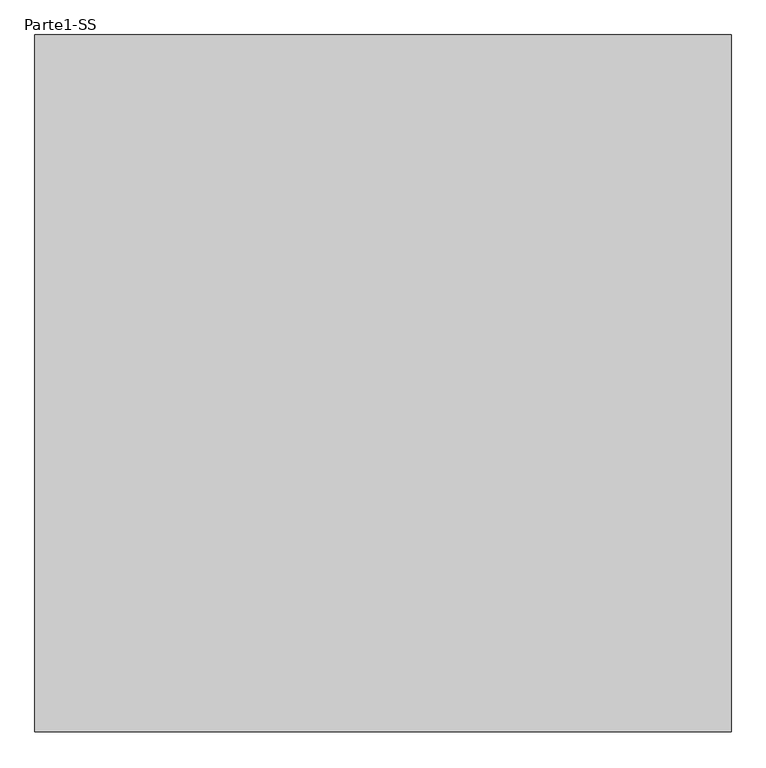
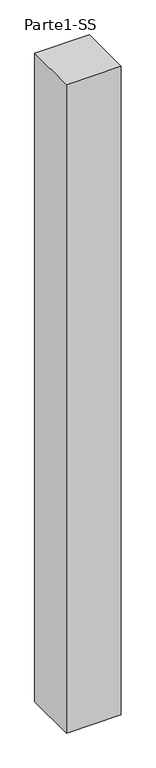
"""IFC4 building model written with IfcOpenShell, lengths in millimetres: proxy geometry, Parte1-SS."""

import ifcopenshell
import ifcopenshell.guid

model = None  # the IFC model being written
_history = None  # IfcOwnerHistory: only IFC2X3 demands one
_inside = {}  # id of a spatial element -> (the spatial element, [elements in it])
_under = {}  # id of a project, library or spatial element -> (it, [spatial elements below it])
_declared = {}  # id of a project -> (the project, [libraries it declares])
_typed = {}  # id of a type object -> (the type object, [elements of that type])
_made_of = {}  # id of a material, layer set ... -> (it, [elements and type objects made of it])


def new_model(schema):
    """Start an empty IFC model of exactly this schema.

    Asked for "IFC4X3", IfcOpenShell would pick the latest addendum, in which some entities
    have other attributes; the version numbers below select the first issue.
    IFC2X3 requires an IfcOwnerHistory on every rooted entity: one is made here for all.
    """
    global model, _history
    if schema == "IFC4X3":
        model = ifcopenshell.file(schema_version=(4, 3, 0, 0))
    else:
        model = ifcopenshell.file(schema=schema)
    _inside.clear()
    _under.clear()
    _declared.clear()
    _typed.clear()
    _made_of.clear()
    _history = None
    if model.schema == "IFC2X3":
        org = make("IfcOrganization", Name="unknown")
        user = make(
            "IfcPersonAndOrganization",
            ThePerson=make("IfcPerson", FamilyName="unknown"),
            TheOrganization=org,
        )
        app = make(
            "IfcApplication",
            ApplicationDeveloper=org,
            Version="unknown",
            ApplicationFullName="unknown",
            ApplicationIdentifier="unknown",
        )
        _history = make(
            "IfcOwnerHistory",
            OwningUser=user,
            OwningApplication=app,
            ChangeAction="ADDED",
            CreationDate=0,
        )
    return model


def make(cls, **values):
    """One entity of the class cls with the attributes given. An attribute that is None is left unset."""
    return model.create_entity(
        cls, **{name: value for name, value in values.items() if value is not None}
    )


def rooted(cls, **values):
    """An entity with a GlobalId (a new one), such as an element, a storey or a relation."""
    return make(cls, GlobalId=ifcopenshell.guid.new(), OwnerHistory=_history, **values)


def si_unit(unit_type, name, prefix=None):
    """IfcSIUnit, for example si_unit("LENGTHUNIT", "METRE", prefix="MILLI")."""
    return make("IfcSIUnit", UnitType=unit_type, Prefix=prefix, Name=name)


def assignment(units):
    """IfcUnitAssignment: the units of a project."""
    return None if units is None else make("IfcUnitAssignment", Units=units)


def point(xyz):
    """IfcCartesianPoint."""
    return None if xyz is None else make("IfcCartesianPoint", Coordinates=xyz)


def direction(xyz):
    """IfcDirection."""
    return None if xyz is None else make("IfcDirection", DirectionRatios=xyz)


def frame(location, z_axis=None, x_axis=None):
    """IfcAxis2Placement3D, a coordinate frame: its origin and axes. An axis left out is left unset."""
    return make(
        "IfcAxis2Placement3D",
        Location=point(location),
        Axis=direction(z_axis),
        RefDirection=direction(x_axis),
    )


def origin():
    """The frame at (0, 0, 0) with its axes left unset."""
    return frame((0.0, 0.0, 0.0))


def origin_with_axes():
    """The frame at (0, 0, 0) with the z axis (0, 0, 1) and the x axis (1, 0, 0) written out."""
    return frame((0.0, 0.0, 0.0), z_axis=(0.0, 0.0, 1.0), x_axis=(1.0, 0.0, 0.0))


def place(relative_to, where):
    """IfcLocalPlacement: puts the frame where relative to a parent placement (None: the world)."""
    return make(
        "IfcLocalPlacement", PlacementRelTo=relative_to, RelativePlacement=where
    )


def context(
    kind, dimensions, precision=None, world=None, true_north=None, identifier=None
):
    """IfcGeometricRepresentationContext, for example the 3D "Model" context."""
    return make(
        "IfcGeometricRepresentationContext",
        ContextIdentifier=identifier,
        ContextType=kind,
        CoordinateSpaceDimension=dimensions,
        Precision=precision,
        WorldCoordinateSystem=world,
        TrueNorth=true_north,
    )


def project(units=None, contexts=None):
    """IfcProject with its units and contexts."""
    return rooted(
        "IfcProject",
        Name="project",
        RepresentationContexts=contexts,
        UnitsInContext=assignment(units),
    )


def spatial(cls, under=None, at=None, **own):
    """A site, building, storey or space (cls), placed at a placement, below another one or the project."""
    s = rooted(cls, ObjectPlacement=at, **own)
    if under is not None:
        _under.setdefault(under.id(), (under, []))[1].append(s)
    return s


def polyline(points):
    """IfcPolyline through the points."""
    return make("IfcPolyline", Points=[point(p) for p in points])


def outline(outer, holes=None, kind="AREA"):
    """IfcArbitraryClosedProfileDef: a profile drawn as a closed curve; with holes, ...WithVoids."""
    if holes is None:
        return make("IfcArbitraryClosedProfileDef", ProfileType=kind, OuterCurve=outer)
    return make(
        "IfcArbitraryProfileDefWithVoids",
        ProfileType=kind,
        OuterCurve=outer,
        InnerCurves=holes,
    )


def extrude(swept, where, along, depth):
    """IfcExtrudedAreaSolid: the profile swept, set in the frame where, extruded along a direction by depth."""
    return make(
        "IfcExtrudedAreaSolid",
        SweptArea=swept,
        Position=where,
        ExtrudedDirection=direction(along),
        Depth=depth,
    )


def shape(context_of_items, identifier, shape_type, items):
    """IfcShapeRepresentation: the items that make up one representation, for example the "Body"."""
    return make(
        "IfcShapeRepresentation",
        ContextOfItems=context_of_items,
        RepresentationIdentifier=identifier,
        RepresentationType=shape_type,
        Items=items,
    )


def source(mapping_origin, context_of_items, identifier, shape_type, items):
    """IfcRepresentationMap: a shape defined once, which mapped items show again and again."""
    return make(
        "IfcRepresentationMap",
        MappingOrigin=mapping_origin,
        MappedRepresentation=shape(context_of_items, identifier, shape_type, items),
    )


def transform(
    local_origin,
    x_axis=None,
    y_axis=None,
    z_axis=None,
    scale=None,
    scale2=None,
    scale3=None,
    uniform=True,
):
    """IfcCartesianTransformationOperator3D, or its non-uniform kind. x_axis, y_axis, z_axis: its Axis1, 2, 3."""
    if uniform:
        return make(
            "IfcCartesianTransformationOperator3D",
            Axis1=direction(x_axis),
            Axis2=direction(y_axis),
            LocalOrigin=point(local_origin),
            Scale=scale,
            Axis3=direction(z_axis),
        )
    return make(
        "IfcCartesianTransformationOperator3DnonUniform",
        Axis1=direction(x_axis),
        Axis2=direction(y_axis),
        LocalOrigin=point(local_origin),
        Scale=scale,
        Axis3=direction(z_axis),
        Scale2=scale2,
        Scale3=scale3,
    )


def mapped(mapping_source, mapping_target):
    """IfcMappedItem: shows the shape of a source again, moved by a transform."""
    return make(
        "IfcMappedItem", MappingSource=mapping_source, MappingTarget=mapping_target
    )


def made_of(thing, what):
    """Note that an element or type object is made of a material, layer set ...; save() writes the relation."""
    if what is not None:
        _made_of.setdefault(what.id(), (what, []))[1].append(thing)
    return thing


def element(
    cls,
    number,
    at=None,
    inside=None,
    cuts=None,
    type_object=None,
    material=None,
    context=None,
    identifier="Body",
    shape_type=None,
    held_by="IfcProductDefinitionShape",
    body=None,
    shapes=None,
    **own,
):
    """One element of the class cls, such as IfcWall. Its Tag is "e" and its number.

    at: its placement. inside: the storey or other place that contains it. cuts: it is an
    opening in that element (IfcRelVoidsElement). A single representation is given by context,
    identifier, shape_type and body (its items); several are given by shapes. held_by: the class
    of the entity that holds the representations. save() writes the other relations.
    """
    e = rooted(cls, Tag="e%d" % number, ObjectPlacement=at, **own)
    if body is not None:
        shapes = [shape(context, identifier, shape_type, body)]
    if shapes is not None:
        e.Representation = make(held_by, Representations=shapes)
    if inside is not None:
        _inside.setdefault(inside.id(), (inside, []))[1].append(e)
    if cuts is not None:
        rooted(
            "IfcRelVoidsElement", RelatingBuildingElement=cuts, RelatedOpeningElement=e
        )
    if type_object is not None:
        _typed.setdefault(type_object.id(), (type_object, []))[1].append(e)
    return made_of(e, material)


def aggregate(whole, parts):
    """IfcRelAggregates: a whole, such as a stair, and the parts it consists of."""
    return rooted("IfcRelAggregates", RelatingObject=whole, RelatedObjects=parts)


def save(model, path):
    """Write the relations noted so far, then the file.

    IfcRelAggregates (storeys below a building ...), IfcRelContainedInSpatialStructure (elements
    in a storey), IfcRelDefinesByType, IfcRelAssociatesMaterial and IfcRelDeclares: one each for
    every whole, place, type object, material and project.
    """
    for whole, parts in _under.values():
        aggregate(whole, parts)
    for where, things in _inside.values():
        rooted(
            "IfcRelContainedInSpatialStructure",
            RelatedElements=things,
            RelatingStructure=where,
        )
    for kind, things in _typed.values():
        rooted("IfcRelDefinesByType", RelatedObjects=things, RelatingType=kind)
    for what, things in _made_of.values():
        rooted("IfcRelAssociatesMaterial", RelatedObjects=things, RelatingMaterial=what)
    for by, libraries in _declared.values():
        rooted("IfcRelDeclares", RelatingContext=by, RelatedDefinitions=libraries)
    model.write(path)


def parte1_ss_860285eb(model_context):
    return source(origin(), model_context, "Body", "SweptSolid", [
        extrude(outline(polyline([(2000.0, 2000.0), (2000.0, 0.0), (0.0, 0.0), (0.0, 2000.0), (2000.0, 2000.0)])), origin_with_axes(), (0.0, 0.0, 1.0), 25000.0),
    ])


if __name__ == "__main__":
    model = new_model("IFC4")
    model_context = context("Model", 3, world=origin())
    ifc_project = project(units=[si_unit("LENGTHUNIT", "METRE", prefix="MILLI")], contexts=[model_context])
    site = spatial("IfcSite", under=ifc_project)
    building = spatial("IfcBuilding", under=site)
    placement = place(None, origin())
    parte1_ss_shape = parte1_ss_860285eb(model_context)
    element("IfcBuildingElementProxy", 1, Name="Parte1-SS", ObjectType="Parte1-SS", at=placement, inside=building, context=model_context, shape_type="MappedRepresentation", body=[
        mapped(parte1_ss_shape, transform((0.0, 0.0, 0.0), x_axis=(1.0, 0.0, 0.0), y_axis=(0.0, 1.0, 0.0), z_axis=(0.0, 0.0, 1.0))),
    ])
    save(model, "model.ifc")
